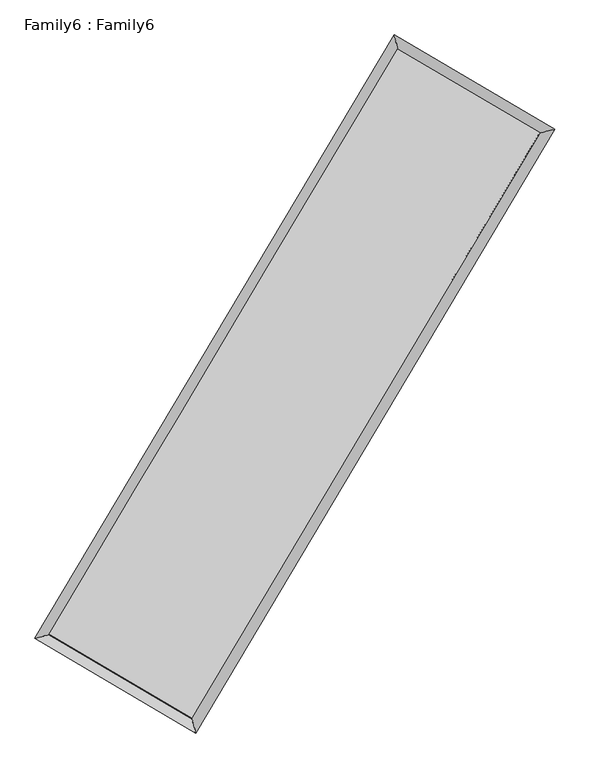
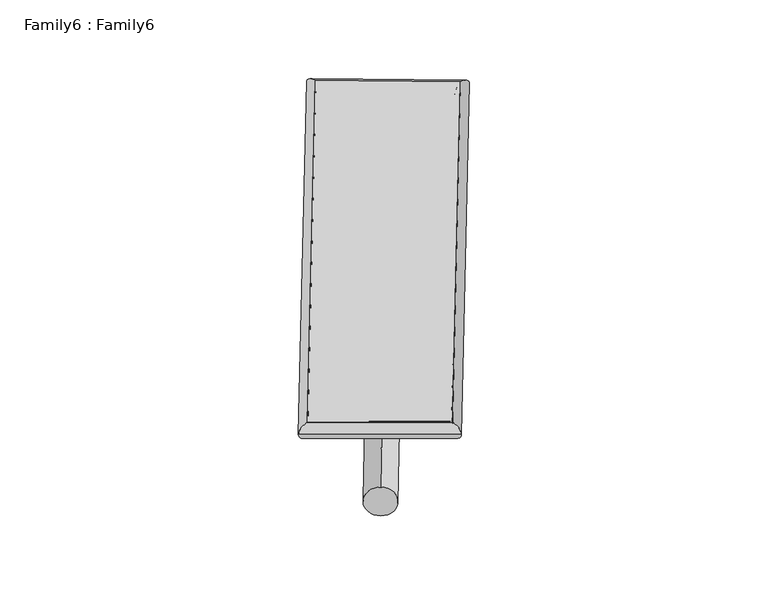
"""IFC4 building model written with IfcOpenShell, lengths in millimetres: plate geometry, Family6 : Family6."""

from ifc_helpers import new_model, si_unit, point, frame, origin, origin_2d, place, context, project, spatial, circle_curve, ellipse_curve, trimmed, segment, composite_curve, outline, extrude, source, transform, mapped, element, save
from ifc_brep_helpers import plane_surface, cylinder_surface, spline_surface, advanced_brep


def family6_family6_bdcf37de(model_context):
    return source(origin(), model_context, "Body", "SolidModel", [
        extrude(outline(composite_curve([segment(trimmed(circle_curve(origin_2d(), 76.2), [point((-75.4341514, -10.7763074))], [point((75.4341514, 10.7763074))], False, "CARTESIAN"), True, "CONTINUOUS"), segment(trimmed(circle_curve(origin_2d(), 76.2), [point((75.4341514, 10.7763074))], [point((-75.4341514, -10.7763074))], False, "CARTESIAN"), True, "CONTINUOUS")], self_intersect=False)), frame((9144.0, 9144.0, 0.0), z_axis=(0.6738779610700417, 0.6870871539497515, 0.27166106909403476), x_axis=(-0.6790064651813098, 0.7208719433585448, -0.13890234526622583)), (0.0, 0.0, 1.0), 5574.6489901),
        extrude(outline(composite_curve([segment(trimmed(circle_curve(origin_2d(), 76.2), [point((-53.8815367, 53.8815367))], [point((53.8815367, -53.8815367))], False, "CARTESIAN"), True, "CONTINUOUS"), segment(trimmed(circle_curve(origin_2d(), 76.2), [point((53.8815367, -53.8815367))], [point((-53.8815367, 53.8815367))], False, "CARTESIAN"), True, "CONTINUOUS")], self_intersect=False)), frame((9144.0, 9144.0, 0.0), z_axis=(-0.673974776790419, -0.6869862478539623, 0.27167608564214696), x_axis=(0.6403595373770341, -0.3598957840239173, 0.6785386411488153)), (0.0, 0.0, 1.0), 5574.2776736),
        extrude(outline(composite_curve([segment(trimmed(circle_curve(origin_2d(), 76.2), [point((-53.8815367, -53.8815368))], [point((53.8815367, 53.8815368))], False, "CARTESIAN"), True, "CONTINUOUS"), segment(trimmed(circle_curve(origin_2d(), 76.2), [point((53.8815367, 53.8815368))], [point((-53.8815367, -53.8815368))], False, "CARTESIAN"), True, "CONTINUOUS")], self_intersect=False)), frame((9144.0, 9144.0, 0.0), z_axis=(0.2815355607638685, 0.919289600618084, 0.27503519451302616), x_axis=(-0.8386796317891214, 0.37500997082720505, -0.39494809406078)), (0.0, 0.0, 1.0), 5564.2438101),
        extrude(outline(composite_curve([segment(trimmed(circle_curve(origin_2d(), 76.2), [point((-75.4341514, 10.7763074))], [point((75.4341514, -10.7763074))], False, "CARTESIAN"), True, "CONTINUOUS"), segment(trimmed(circle_curve(origin_2d(), 76.2), [point((75.4341514, -10.7763074))], [point((-75.4341514, 10.7763074))], False, "CARTESIAN"), True, "CONTINUOUS")], self_intersect=False)), frame((9144.0, 9144.0, 0.0), z_axis=(-0.2815066104206916, -0.9193356238977605, 0.2749109654451208), x_axis=(0.876200311706303, -0.1294789848031726, 0.464228614219457)), (0.0, 0.0, 1.0), 5566.8085616),
        advanced_brep(
        [(5177.7931167, 5260.8745431, 1515.6741249), (5596.3705023, 5368.2335671, 1516.0182703), (5596.3617816, 5368.22125, 1513.1217524), (10764.0339257, 14051.0744484, 1528.6195024), (10657.0310769, 14467.2284914, 1532.1062548), (5177.784396, 5260.862226, 1512.777607), (12691.2587305, 12920.4158805, 1514.5859252), (13110.0074598, 13028.1235373, 1514.2442838), (7523.47442, 4234.485917, 1530.0799905), (7630.3387619, 3817.9832388, 1530.6734417)],
        [
            (0, 1, ellipse_curve(frame((5387.0774492, 5314.5478965, 1514.3979386), z_axis=(-0.24843971251525301, 0.9686414947528952, -0.0033710366677888823), x_axis=(-0.9686276327393144, -0.24845535922498502, -0.005517568868222528)), 216.0753201, 152.4)),
            (1, 2, ellipse_curve(frame((5387.0774492, 5314.5478965, 1514.3979386), z_axis=(-0.24843971251525301, 0.9686414947528952, -0.0033710366677888823), x_axis=(-0.9686276327393144, -0.24845535922498502, -0.005517568868222528)), 216.0753201, 152.4)),
            (2, 3),
            (3, 4, ellipse_curve(frame((10710.5325013, 14259.1514699, 1530.3628786), z_axis=(-0.9684853470020041, -0.24904806166711438, 0.00334598599230622), x_axis=(0.24902766731371626, -0.9684805089851399, -0.005542980080551456)), 214.8529499, 152.4)),
            (4, 0),
            (2, 5, ellipse_curve(frame((5387.0774492, 5314.5478965, 1514.3979386), z_axis=(-0.24843971251525301, 0.9686414947528952, -0.0033710366677888823), x_axis=(-0.9686276327393144, -0.24845535922498502, -0.005517568868222528)), 216.0753201, 152.4)),
            (5, 0, ellipse_curve(frame((5387.0774492, 5314.5478965, 1514.3979386), z_axis=(-0.24843971251525301, 0.9686414947528952, -0.0033710366677888823), x_axis=(-0.9686276327393144, -0.24845535922498502, -0.005517568868222528)), 216.0753201, 152.4)),
            (4, 3, ellipse_curve(frame((10710.5325013, 14259.1514699, 1530.3628786), z_axis=(-0.9684853470020041, -0.24904806166711438, 0.00334598599230622), x_axis=(0.24902766731371626, -0.9684805089851399, -0.005542980080551456)), 214.8529499, 152.4)),
            (3, 6),
            (6, 7, ellipse_curve(frame((12900.6330952, 12974.2697089, 1514.4151045), z_axis=(-0.24910085527897913, 0.9684716953018653, 0.00336738747576469), x_axis=(-0.9684578742189582, -0.249116452082934, 0.005508099936245588)), 216.1919097, 152.4)),
            (7, 4),
            (7, 6, ellipse_curve(frame((12900.6330952, 12974.2697089, 1514.4151045), z_axis=(-0.24910085527897913, 0.9684716953018653, 0.00336738747576469), x_axis=(-0.9684578742189582, -0.249116452082934, 0.005508099936245588)), 216.1919097, 152.4)),
            (6, 8),
            (8, 9, ellipse_curve(frame((7576.906591, 4026.2345779, 1530.3767161), z_axis=(0.9686187669051003, 0.2485285291334243, 0.0033547885208442224), x_axis=(-0.24850808975785552, 0.9686139511058418, -0.005544641379900971)), 214.9988349, 152.4)),
            (9, 7),
            (9, 8, ellipse_curve(frame((7576.906591, 4026.2345779, 1530.3767161), z_axis=(0.9686187669051003, 0.2485285291334243, 0.0033547885208442224), x_axis=(-0.24850808975785552, 0.9686139511058418, -0.005544641379900971)), 214.9988349, 152.4)),
            (8, 1),
            (5, 9),
        ],
        [
            cylinder_surface(frame((5387.0774492, 5314.5478965, 1514.3979386), z_axis=(-0.5114326260502002, -0.8593220098080313, -0.001533776672838735), x_axis=(-0.859288555814829, 0.5113950181122291, 0.009915306130352937)), 152.4),
            cylinder_surface(frame((10710.5325013, 14259.1514699, 1530.3628786), z_axis=(-0.8625039847073096, 0.50601129548296, 0.006280541988537206), x_axis=(0.5060425985709387, 0.8624928210744411, 0.005198271503473243)), 152.4),
            cylinder_surface(frame((12900.6330952, 12974.2697089, 1514.4151045), z_axis=(0.5113070282942073, 0.8593967493081026, -0.0015330021568184676), x_axis=(0.8593980132102869, -0.5113070282942073, 0.0004215532685335344)), 152.4),
            cylinder_surface(frame((7576.906591, 4026.2345779, 1530.3767161), z_axis=(0.8618864600573513, -0.5070623020146143, 0.006289025794827527), x_axis=(-0.5070442487815401, -0.8619092436566627, -0.004311087654348478)), 152.4),
        ],
        [
            (0, [[1, 2, 3, 4, 5]]),
            (0, [[6, 7, -5, 8, -3]]),
            (1, [[-4, 9, 10, 11]]),
            (1, [[-8, -11, 12, -9]]),
            (2, [[-10, 13, 14, 15]]),
            (2, [[-12, -15, 16, -13]]),
            (3, [[-14, 17, -1, -7, 18]]),
            (3, [[-16, -18, -6, -2, -17]]),
        ],
    ),
        extrude(outline(composite_curve([segment(trimmed(circle_curve(origin_2d(), 304.8), [point((0.0, 304.8))], [point((0.0, -304.8))], False, "CARTESIAN"), True, "CONTINUOUS"), segment(trimmed(circle_curve(origin_2d(), 304.8), [point((0.0, -304.8))], [point((0.0, 304.8))], False, "CARTESIAN"), True, "CONTINUOUS")], self_intersect=False)), frame((11807.2495357, 13638.5087496, -1.43e-05), z_axis=(-0.5097792907437584, -0.8603052218421033, 2.7322257324046728e-09), x_axis=(-0.8603052218421033, 0.5097792907437584, -7.487115983246533e-10)), (0.0, 0.0, 1.0), 10448.6376124),
        advanced_brep(
        [(5387.0774492, 5314.5478965, 1514.3979386), (7576.906591, 4026.2345779, 1530.3767161), (7576.9055503, 4026.2352092, 1682.7767161), (5387.0764085, 5314.5485279, 1666.7979386), (12900.6330952, 12974.2697089, 1514.4151045), (12900.6320545, 12974.2703402, 1666.8151045), (10710.5325013, 14259.1514699, 1530.3628786), (10710.5314606, 14259.1521012, 1682.7628786)],
        [
            (0, 1),
            (1, 2),
            (2, 3),
            (3, 0),
            (1, 4),
            (4, 5),
            (5, 2),
            (4, 6),
            (6, 7),
            (7, 5),
            (6, 0),
            (3, 7),
        ],
        [
            plane_surface(frame((6481.9920201, 4670.3912372, 1522.3873274), z_axis=(-0.5070723305227336, -0.8619035048183946, 1.0805986296524503e-07), x_axis=(0.8618864600573516, -0.5070623020146139, 0.006289025794827525))),
            plane_surface(frame((10238.7698431, 8500.2521434, 1522.3959103), z_axis=(0.8593977653748301, -0.5113076185673012, 7.986473167168181e-06), x_axis=(0.511307028294207, 0.8593967493081028, -0.0015330021568184737))),
            plane_surface(frame((11805.5827982, 13616.7105894, 1522.3889916), z_axis=(0.5060212750004068, 0.8625209964093333, -1.1779493713564779e-07), x_axis=(-0.8625039847073096, 0.50601129548296, 0.0062805419885372015))),
            plane_surface(frame((8048.8049752, 9786.8496832, 1522.3804086), z_axis=(-0.8593230142826128, 0.5114332381264055, -7.98648313903548e-06), x_axis=(-0.5114326260502005, -0.859322009808031, -0.0015337766728387387))),
            spline_surface(1, 1, [[(7576.9055503, 4026.2352092, 1682.7767161), (5387.0764085, 5314.5485279, 1666.7979386)], [(12900.6320545, 12974.2703402, 1666.8151045), (10710.5314606, 14259.1521012, 1682.7628786)]], [2, 2], [2, 2], [0.0, 1.0], [0.0, 1.0]),
            spline_surface(1, 1, [[(10710.5325013, 14259.1514699, 1530.3628786), (5387.0774492, 5314.5478965, 1514.3979386)], [(12900.6330952, 12974.2697089, 1514.4151045), (7576.906591, 4026.2345779, 1530.3767161)]], [2, 2], [2, 2], [0.0, 1.0], [0.0, 1.0]),
        ],
        [
            (0, [[1, 2, 3, 4]]),
            (1, [[5, 6, 7, -2]]),
            (2, [[8, 9, 10, -6]]),
            (3, [[11, -4, 12, -9]]),
            (4, [[-3, -7, -10, -12]]),
            (5, [[-11, -8, -5, -1]]),
        ],
    ),
    ])


if __name__ == "__main__":
    model = new_model("IFC4")
    model_context = context("Model", 3, world=origin())
    ifc_project = project(units=[si_unit("LENGTHUNIT", "METRE", prefix="MILLI")], contexts=[model_context])
    site = spatial("IfcSite", under=ifc_project)
    building = spatial("IfcBuilding", under=site)
    placement = place(None, origin())
    family6_family6_shape = family6_family6_bdcf37de(model_context)
    element("IfcPlate", 1, ObjectType="Family6 : Family6", at=placement, inside=building, context=model_context, shape_type="MappedRepresentation", body=[
        mapped(family6_family6_shape, transform((0.0, 0.0, 0.0), x_axis=(1.0, 0.0, 0.0), y_axis=(0.0, 1.0, 0.0), z_axis=(0.0, 0.0, 1.0))),
    ])
    save(model, "model.ifc")
